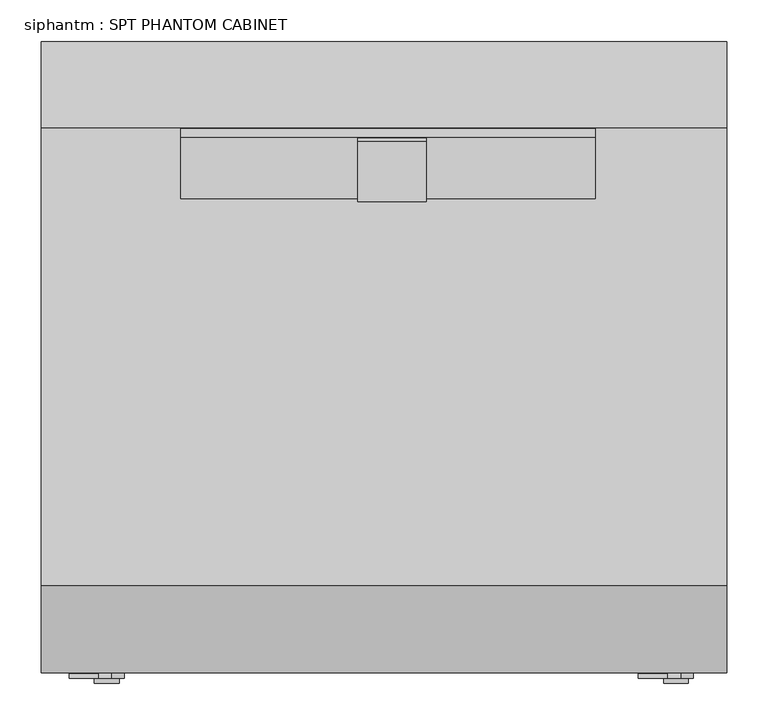
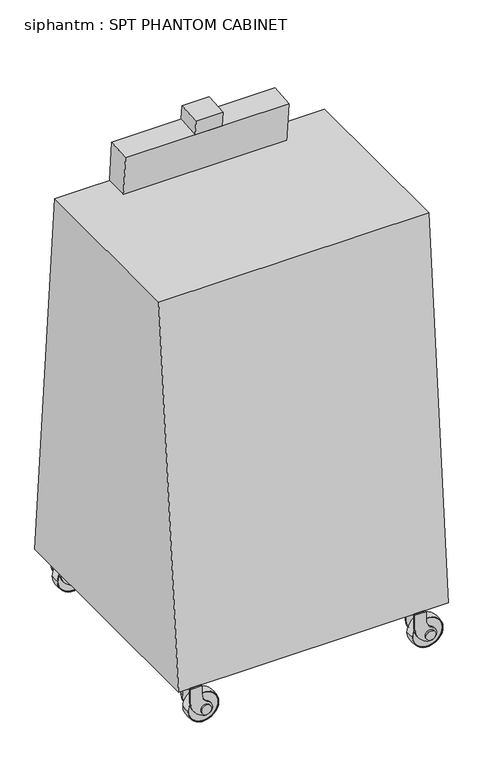
"""IFC4 building model written with IfcOpenShell, lengths in millimetres: proxy geometry, siphantm : SPT PHANTOM CABINET."""

from ifc_helpers import new_model, si_unit, point, frame, frame_2d, origin, place, context, project, spatial, polyline, circle_curve, ellipse_curve, trimmed, segment, composite_curve, outline, extrude, source, transform, mapped, element, save
from ifc_brep_helpers import plane_surface, revolved_surface, advanced_brep


def siphantm_spt_phantom_cabinet_3f2ab0fd(model_context):
    return source(origin(), model_context, "Body", "SolidModel", [
        advanced_brep(
        [(876.4637595, -881.4451858, 48.0465135), (782.8516814, -881.4451858, 48.0465135), (782.8516814, -853.4451858, 48.0465135), (876.4637595, -853.4451858, 48.0465135), (874.6577205, -853.4451858, 48.0465135), (784.6577205, -853.4451858, 48.0465135), (784.6577205, -881.4451858, 48.0465135), (874.6577205, -881.4451858, 48.0465135)],
        [
            (0, 1, circle_curve(frame((829.6577205, -881.4451858, 48.0465135), z_axis=(0.0, 1.0, 0.0), x_axis=(-1.0, 0.0, 0.0)), 46.8060391)),
            (1, 2, circle_curve(frame((861.2334734, -867.4451858, 48.0465135), z_axis=(0.0, 0.0, -1.0), x_axis=(1.0, 0.0, 0.0)), 79.6222664)),
            (2, 3, circle_curve(frame((829.6577205, -853.4451858, 48.0465135), z_axis=(0.0, -1.0, 0.0), x_axis=(-1.0, 0.0, 0.0)), 46.8060391)),
            (3, 0, circle_curve(frame((798.0819675, -867.4451858, 48.0465135), z_axis=(0.0, 0.0, -1.0), x_axis=(-1.0, 0.0, 0.0)), 79.6222664)),
            (4, 5, circle_curve(frame((829.6577205, -853.4451858, 48.0465135), z_axis=(0.0, 1.0, 0.0), x_axis=(-1.0, 0.0, 0.0)), 45.0)),
            (5, 6),
            (6, 7, circle_curve(frame((829.6577205, -881.4451858, 48.0465135), z_axis=(0.0, -1.0, 0.0), x_axis=(-1.0, 0.0, 0.0)), 45.0)),
            (7, 4),
            (2, 3, circle_curve(frame((829.6577205, -853.4451858, 48.0465135), z_axis=(0.0, 1.0, 0.0), x_axis=(1.0, 0.0, 0.0)), 46.8060391)),
            (4, 5, circle_curve(frame((829.6577205, -853.4451858, 48.0465135), z_axis=(0.0, -1.0, 0.0), x_axis=(1.0, 0.0, 0.0)), 45.0)),
            (1, 0, circle_curve(frame((829.6577205, -881.4451858, 48.0465135), z_axis=(0.0, 1.0, 0.0), x_axis=(1.0, 0.0, 0.0)), 46.8060391)),
            (6, 7, circle_curve(frame((829.6577205, -881.4451858, 48.0465135), z_axis=(0.0, 1.0, 0.0), x_axis=(1.0, 0.0, 0.0)), 45.0)),
        ],
        [
            revolved_surface(trimmed(ellipse_curve(frame((861.2334734, -867.4451858, 48.0465135), z_axis=(0.0, 0.0, 1.0), x_axis=(1.0, 0.0, 0.0)), 79.6222664, 79.6222664), [point((782.8516814, -853.4451858, 48.0465135))], [point((782.8516814, -881.4451858, 48.0465135))], True, "CARTESIAN"), (829.6577205, -873.9679771, 48.0465135), (0.0, -1.0, 0.0)),
            revolved_surface(polyline([(784.6577205, -881.4451858, 48.0465135), (784.6577205, -853.4451858, 48.0465135)]), (829.6577205, -873.9679771, 48.0465135), (0.0, -1.0, 0.0)),
            plane_surface(frame((829.6577205, -853.4451858, 48.0465135), z_axis=(0.0, 1.0, 0.0), x_axis=(1.0, 0.0, 0.0))),
            revolved_surface(trimmed(ellipse_curve(frame((798.0819675, -867.4451858, 48.0465135), z_axis=(0.0, 0.0, -1.0), x_axis=(-1.0, 0.0, 0.0)), 79.6222664, 79.6222664), [point((876.4637595, -853.4451858, 48.0465135))], [point((876.4637595, -881.4451858, 48.0465135))], True, "CARTESIAN"), (829.6577205, -873.9679771, 48.0465135), (0.0, -1.0, 0.0)),
            plane_surface(frame((829.6577205, -881.4451858, 48.0465135), z_axis=(0.0, -1.0, 0.0), x_axis=(1.0, 0.0, 0.0))),
            revolved_surface(polyline([(874.6577205, -881.4451858, 48.0465135), (874.6577205, -853.4451858, 48.0465135)]), (829.6577205, -873.9679771, 48.0465135), (0.0, -1.0, 0.0)),
        ],
        [
            (0, [[1, 2, 3, 4]]),
            (1, [[5, 6, 7, 8]]),
            (2, [[9, -3], [10, -5]]),
            (3, [[11, -4, -9, -2]]),
            (4, [[-11, -1], [12, -7]]),
            (5, [[-10, -8, -12, -6]]),
        ],
    ),
        extrude(outline(composite_curve([segment(trimmed(circle_curve(frame_2d((48.0465135, 829.6577205)), 21.0), [point((29.163577, 820.4688844))], [point((68.1369892, 835.7710492))], False, "CARTESIAN"), True, "CONTINUOUS"), segment(trimmed(circle_curve(frame_2d((99.3530944, 856.8179829)), 37.6486207), [point((68.1369892, 835.7710492))], [point((99.3530944, 819.1693622))], True, "CARTESIAN"), True, "CONTINUOUS"), segment(polyline([(99.3530944, 819.1693622), (125.0465135, 819.1693622), (125.0465135, 784.1693622), (81.8753807, 784.1693622)]), True, "CONTINUOUS"), segment(trimmed(circle_curve(frame_2d((81.8753807, 839.1693622)), 55.0), [point((81.8753807, 784.1693622))], [point((34.2439835, 811.6693622))], False, "CARTESIAN"), True, "CONTINUOUS"), segment(polyline([(34.2439835, 811.6693622), (29.163577, 820.4688844)]), True, "CONTINUOUS")], self_intersect=False)), frame((0.0, -848.4679771, 0.0), z_axis=(0.0, 1.0, 0.0), x_axis=(0.0, 0.0, 1.0)), (0.0, 0.0, 1.0), 6.0),
        extrude(outline(polyline([(784.1693622, -886.4679771), (784.1693622, -848.4679771), (819.1693622, -848.4679771), (819.1693622, -886.4679771), (784.1693622, -886.4679771)])), frame((0.0, 0.0, 119.0465135), z_axis=(0.0, 0.0, 1.0), x_axis=(1.0, 0.0, 0.0)), (0.0, 0.0, 1.0), 6.0),
        extrude(outline(composite_curve([segment(trimmed(circle_curve(frame_2d((48.0465135, 829.6577205)), 21.0), [point((29.163577, 820.4688844))], [point((68.1369892, 835.7710492))], False, "CARTESIAN"), True, "CONTINUOUS"), segment(trimmed(circle_curve(frame_2d((99.3530944, 856.8179829)), 37.6486207), [point((68.1369892, 835.7710492))], [point((99.3530944, 819.1693622))], True, "CARTESIAN"), True, "CONTINUOUS"), segment(polyline([(99.3530944, 819.1693622), (125.0465135, 819.1693622), (125.0465135, 784.1693622), (81.8753807, 784.1693622)]), True, "CONTINUOUS"), segment(trimmed(circle_curve(frame_2d((81.8753807, 839.1693622)), 55.0), [point((81.8753807, 784.1693622))], [point((34.2439835, 811.6693622))], False, "CARTESIAN"), True, "CONTINUOUS"), segment(polyline([(34.2439835, 811.6693622), (29.163577, 820.4688844)]), True, "CONTINUOUS")], self_intersect=False)), frame((0.0, -892.4679771, 0.0), z_axis=(0.0, 1.0, 0.0), x_axis=(0.0, 0.0, 1.0)), (0.0, 0.0, 1.0), 6.0),
        extrude(outline(composite_curve([segment(trimmed(circle_curve(frame_2d((48.0465135, 829.6577205)), 15.0), [point((48.0465135, 814.6577205))], [point((48.0465135, 844.6577205))], False, "CARTESIAN"), True, "CONTINUOUS"), segment(trimmed(circle_curve(frame_2d((48.0465135, 829.6577205)), 15.0), [point((48.0465135, 844.6577205))], [point((48.0465135, 814.6577205))], False, "CARTESIAN"), True, "CONTINUOUS")], self_intersect=False)), frame((0.0, -898.4679771, 0.0), z_axis=(0.0, 1.0, 0.0), x_axis=(0.0, 0.0, 1.0)), (0.0, 0.0, 1.0), 62.0),
        extrude(outline(composite_curve([segment(trimmed(circle_curve(frame_2d((48.0465135, 829.6577205)), 45.0), [point((48.0465135, 784.6577205))], [point((48.0465135, 874.6577205))], False, "CARTESIAN"), True, "CONTINUOUS"), segment(trimmed(circle_curve(frame_2d((48.0465135, 829.6577205)), 45.0), [point((48.0465135, 874.6577205))], [point((48.0465135, 784.6577205))], False, "CARTESIAN"), True, "CONTINUOUS")], self_intersect=False)), frame((0.0, -879.9679771, 0.0), z_axis=(0.0, 1.0, 0.0), x_axis=(0.0, 0.0, 1.0)), (0.0, 0.0, 1.0), 25.0),
        advanced_brep(
        [(876.4637595, -1573.5951858, 48.0465135), (782.8516814, -1573.5951858, 48.0465135), (782.8516814, -1545.5951858, 48.0465135), (876.4637595, -1545.5951858, 48.0465135), (874.6577205, -1545.5951858, 48.0465135), (784.6577205, -1545.5951858, 48.0465135), (784.6577205, -1573.5951858, 48.0465135), (874.6577205, -1573.5951858, 48.0465135)],
        [
            (0, 1, circle_curve(frame((829.6577205, -1573.5951858, 48.0465135), z_axis=(0.0, 1.0, 0.0), x_axis=(-1.0, 0.0, 0.0)), 46.8060391)),
            (1, 2, circle_curve(frame((861.2334734, -1559.5951858, 48.0465135), z_axis=(0.0, 0.0, -1.0), x_axis=(1.0, 0.0, 0.0)), 79.6222664)),
            (2, 3, circle_curve(frame((829.6577205, -1545.5951858, 48.0465135), z_axis=(0.0, -1.0, 0.0), x_axis=(-1.0, 0.0, 0.0)), 46.8060391)),
            (3, 0, circle_curve(frame((798.0819675, -1559.5951858, 48.0465135), z_axis=(0.0, 0.0, -1.0), x_axis=(-1.0, 0.0, 0.0)), 79.6222664)),
            (4, 5, circle_curve(frame((829.6577205, -1545.5951858, 48.0465135), z_axis=(0.0, 1.0, 0.0), x_axis=(-1.0, 0.0, 0.0)), 45.0)),
            (5, 6),
            (6, 7, circle_curve(frame((829.6577205, -1573.5951858, 48.0465135), z_axis=(0.0, -1.0, 0.0), x_axis=(-1.0, 0.0, 0.0)), 45.0)),
            (7, 4),
            (2, 3, circle_curve(frame((829.6577205, -1545.5951858, 48.0465135), z_axis=(0.0, 1.0, 0.0), x_axis=(1.0, 0.0, 0.0)), 46.8060391)),
            (4, 5, circle_curve(frame((829.6577205, -1545.5951858, 48.0465135), z_axis=(0.0, -1.0, 0.0), x_axis=(1.0, 0.0, 0.0)), 45.0)),
            (1, 0, circle_curve(frame((829.6577205, -1573.5951858, 48.0465135), z_axis=(0.0, 1.0, 0.0), x_axis=(1.0, 0.0, 0.0)), 46.8060391)),
            (6, 7, circle_curve(frame((829.6577205, -1573.5951858, 48.0465135), z_axis=(0.0, 1.0, 0.0), x_axis=(1.0, 0.0, 0.0)), 45.0)),
        ],
        [
            revolved_surface(trimmed(ellipse_curve(frame((861.2334734, -1559.5951858, 48.0465135), z_axis=(0.0, 0.0, 1.0), x_axis=(1.0, 0.0, 0.0)), 79.6222664, 79.6222664), [point((782.8516814, -1545.5951858, 48.0465135))], [point((782.8516814, -1573.5951858, 48.0465135))], True, "CARTESIAN"), (829.6577205, -1566.1179771, 48.0465135), (0.0, -1.0, 0.0)),
            revolved_surface(polyline([(784.6577205, -1573.5951858, 48.0465135), (784.6577205, -1545.5951858, 48.0465135)]), (829.6577205, -1566.1179771, 48.0465135), (0.0, -1.0, 0.0)),
            plane_surface(frame((829.6577205, -1545.5951858, 48.0465135), z_axis=(0.0, 1.0, 0.0), x_axis=(1.0, 0.0, 0.0))),
            revolved_surface(trimmed(ellipse_curve(frame((798.0819675, -1559.5951858, 48.0465135), z_axis=(0.0, 0.0, -1.0), x_axis=(-1.0, 0.0, 0.0)), 79.6222664, 79.6222664), [point((876.4637595, -1545.5951858, 48.0465135))], [point((876.4637595, -1573.5951858, 48.0465135))], True, "CARTESIAN"), (829.6577205, -1566.1179771, 48.0465135), (0.0, -1.0, 0.0)),
            plane_surface(frame((829.6577205, -1573.5951858, 48.0465135), z_axis=(0.0, -1.0, 0.0), x_axis=(1.0, 0.0, 0.0))),
            revolved_surface(polyline([(874.6577205, -1573.5951858, 48.0465135), (874.6577205, -1545.5951858, 48.0465135)]), (829.6577205, -1566.1179771, 48.0465135), (0.0, -1.0, 0.0)),
        ],
        [
            (0, [[1, 2, 3, 4]]),
            (1, [[5, 6, 7, 8]]),
            (2, [[9, -3], [10, -5]]),
            (3, [[11, -4, -9, -2]]),
            (4, [[-11, -1], [12, -7]]),
            (5, [[-10, -8, -12, -6]]),
        ],
    ),
        extrude(outline(composite_curve([segment(trimmed(circle_curve(frame_2d((48.0465135, 829.6577205)), 21.0), [point((29.163577, 820.4688844))], [point((68.1369892, 835.7710492))], False, "CARTESIAN"), True, "CONTINUOUS"), segment(trimmed(circle_curve(frame_2d((99.3530944, 856.8179829)), 37.6486207), [point((68.1369892, 835.7710492))], [point((99.3530944, 819.1693622))], True, "CARTESIAN"), True, "CONTINUOUS"), segment(polyline([(99.3530944, 819.1693622), (125.0465135, 819.1693622), (125.0465135, 784.1693622), (81.8753807, 784.1693622)]), True, "CONTINUOUS"), segment(trimmed(circle_curve(frame_2d((81.8753807, 839.1693622)), 55.0), [point((81.8753807, 784.1693622))], [point((34.2439835, 811.6693622))], False, "CARTESIAN"), True, "CONTINUOUS"), segment(polyline([(34.2439835, 811.6693622), (29.163577, 820.4688844)]), True, "CONTINUOUS")], self_intersect=False)), frame((0.0, -1540.6179771, 0.0), z_axis=(0.0, 1.0, 0.0), x_axis=(0.0, 0.0, 1.0)), (0.0, 0.0, 1.0), 6.0),
        extrude(outline(polyline([(784.1693622, -1578.6179771), (784.1693622, -1540.6179771), (819.1693622, -1540.6179771), (819.1693622, -1578.6179771), (784.1693622, -1578.6179771)])), frame((0.0, 0.0, 119.0465135), z_axis=(0.0, 0.0, 1.0), x_axis=(1.0, 0.0, 0.0)), (0.0, 0.0, 1.0), 6.0),
        extrude(outline(composite_curve([segment(trimmed(circle_curve(frame_2d((48.0465135, 829.6577205)), 21.0), [point((29.163577, 820.4688844))], [point((68.1369892, 835.7710492))], False, "CARTESIAN"), True, "CONTINUOUS"), segment(trimmed(circle_curve(frame_2d((99.3530944, 856.8179829)), 37.6486207), [point((68.1369892, 835.7710492))], [point((99.3530944, 819.1693622))], True, "CARTESIAN"), True, "CONTINUOUS"), segment(polyline([(99.3530944, 819.1693622), (125.0465135, 819.1693622), (125.0465135, 784.1693622), (81.8753807, 784.1693622)]), True, "CONTINUOUS"), segment(trimmed(circle_curve(frame_2d((81.8753807, 839.1693622)), 55.0), [point((81.8753807, 784.1693622))], [point((34.2439835, 811.6693622))], False, "CARTESIAN"), True, "CONTINUOUS"), segment(polyline([(34.2439835, 811.6693622), (29.163577, 820.4688844)]), True, "CONTINUOUS")], self_intersect=False)), frame((0.0, -1584.6179771, 0.0), z_axis=(0.0, 1.0, 0.0), x_axis=(0.0, 0.0, 1.0)), (0.0, 0.0, 1.0), 6.0),
        extrude(outline(composite_curve([segment(trimmed(circle_curve(frame_2d((48.0465135, 829.6577205)), 15.0), [point((48.0465135, 814.6577205))], [point((48.0465135, 844.6577205))], False, "CARTESIAN"), True, "CONTINUOUS"), segment(trimmed(circle_curve(frame_2d((48.0465135, 829.6577205)), 15.0), [point((48.0465135, 844.6577205))], [point((48.0465135, 814.6577205))], False, "CARTESIAN"), True, "CONTINUOUS")], self_intersect=False)), frame((0.0, -1590.6179771, 0.0), z_axis=(0.0, 1.0, 0.0), x_axis=(0.0, 0.0, 1.0)), (0.0, 0.0, 1.0), 62.0),
        extrude(outline(composite_curve([segment(trimmed(circle_curve(frame_2d((48.0465135, 829.6577205)), 45.0), [point((48.0465135, 784.6577205))], [point((48.0465135, 874.6577205))], False, "CARTESIAN"), True, "CONTINUOUS"), segment(trimmed(circle_curve(frame_2d((48.0465135, 829.6577205)), 45.0), [point((48.0465135, 874.6577205))], [point((48.0465135, 784.6577205))], False, "CARTESIAN"), True, "CONTINUOUS")], self_intersect=False)), frame((0.0, -1572.1179771, 0.0), z_axis=(0.0, 1.0, 0.0), x_axis=(0.0, 0.0, 1.0)), (0.0, 0.0, 1.0), 25.0),
        advanced_brep(
        [(1562.2637595, -881.4451858, 48.0465135), (1468.6516814, -881.4451858, 48.0465135), (1468.6516814, -853.4451858, 48.0465135), (1562.2637595, -853.4451858, 48.0465135), (1560.4577205, -853.4451858, 48.0465135), (1470.4577205, -853.4451858, 48.0465135), (1470.4577205, -881.4451858, 48.0465135), (1560.4577205, -881.4451858, 48.0465135)],
        [
            (0, 1, circle_curve(frame((1515.4577205, -881.4451858, 48.0465135), z_axis=(0.0, 1.0, 0.0), x_axis=(-1.0, 0.0, 0.0)), 46.8060391)),
            (1, 2, circle_curve(frame((1547.0334734, -867.4451858, 48.0465135), z_axis=(0.0, 0.0, -1.0), x_axis=(1.0, 0.0, 0.0)), 79.6222664)),
            (2, 3, circle_curve(frame((1515.4577205, -853.4451858, 48.0465135), z_axis=(0.0, -1.0, 0.0), x_axis=(-1.0, 0.0, 0.0)), 46.8060391)),
            (3, 0, circle_curve(frame((1483.8819675, -867.4451858, 48.0465135), z_axis=(0.0, 0.0, -1.0), x_axis=(-1.0, 0.0, 0.0)), 79.6222664)),
            (4, 5, circle_curve(frame((1515.4577205, -853.4451858, 48.0465135), z_axis=(0.0, 1.0, 0.0), x_axis=(-1.0, 0.0, 0.0)), 45.0)),
            (5, 6),
            (6, 7, circle_curve(frame((1515.4577205, -881.4451858, 48.0465135), z_axis=(0.0, -1.0, 0.0), x_axis=(-1.0, 0.0, 0.0)), 45.0)),
            (7, 4),
            (2, 3, circle_curve(frame((1515.4577205, -853.4451858, 48.0465135), z_axis=(0.0, 1.0, 0.0), x_axis=(1.0, 0.0, 0.0)), 46.8060391)),
            (4, 5, circle_curve(frame((1515.4577205, -853.4451858, 48.0465135), z_axis=(0.0, -1.0, 0.0), x_axis=(1.0, 0.0, 0.0)), 45.0)),
            (1, 0, circle_curve(frame((1515.4577205, -881.4451858, 48.0465135), z_axis=(0.0, 1.0, 0.0), x_axis=(1.0, 0.0, 0.0)), 46.8060391)),
            (6, 7, circle_curve(frame((1515.4577205, -881.4451858, 48.0465135), z_axis=(0.0, 1.0, 0.0), x_axis=(1.0, 0.0, 0.0)), 45.0)),
        ],
        [
            revolved_surface(trimmed(ellipse_curve(frame((1547.0334734, -867.4451858, 48.0465135), z_axis=(0.0, 0.0, 1.0), x_axis=(1.0, 0.0, 0.0)), 79.6222664, 79.6222664), [point((1468.6516814, -853.4451858, 48.0465135))], [point((1468.6516814, -881.4451858, 48.0465135))], True, "CARTESIAN"), (1515.4577205, -873.9679771, 48.0465135), (0.0, -1.0, 0.0)),
            revolved_surface(polyline([(1470.4577205, -881.4451858, 48.0465135), (1470.4577205, -853.4451858, 48.0465135)]), (1515.4577205, -873.9679771, 48.0465135), (0.0, -1.0, 0.0)),
            plane_surface(frame((1515.4577205, -853.4451858, 48.0465135), z_axis=(0.0, 1.0, 0.0), x_axis=(1.0, 0.0, 0.0))),
            revolved_surface(trimmed(ellipse_curve(frame((1483.8819675, -867.4451858, 48.0465135), z_axis=(0.0, 0.0, -1.0), x_axis=(-1.0, 0.0, 0.0)), 79.6222664, 79.6222664), [point((1562.2637595, -853.4451858, 48.0465135))], [point((1562.2637595, -881.4451858, 48.0465135))], True, "CARTESIAN"), (1515.4577205, -873.9679771, 48.0465135), (0.0, -1.0, 0.0)),
            plane_surface(frame((1515.4577205, -881.4451858, 48.0465135), z_axis=(0.0, -1.0, 0.0), x_axis=(1.0, 0.0, 0.0))),
            revolved_surface(polyline([(1560.4577205, -881.4451858, 48.0465135), (1560.4577205, -853.4451858, 48.0465135)]), (1515.4577205, -873.9679771, 48.0465135), (0.0, -1.0, 0.0)),
        ],
        [
            (0, [[1, 2, 3, 4]]),
            (1, [[5, 6, 7, 8]]),
            (2, [[9, -3], [10, -5]]),
            (3, [[11, -4, -9, -2]]),
            (4, [[-11, -1], [12, -7]]),
            (5, [[-10, -8, -12, -6]]),
        ],
    ),
        extrude(outline(composite_curve([segment(trimmed(circle_curve(frame_2d((48.0465135, 1515.4577205)), 21.0), [point((29.163577, 1506.2688844))], [point((68.1369892, 1521.5710492))], False, "CARTESIAN"), True, "CONTINUOUS"), segment(trimmed(circle_curve(frame_2d((99.3530944, 1542.6179829)), 37.6486207), [point((68.1369892, 1521.5710492))], [point((99.3530944, 1504.9693622))], True, "CARTESIAN"), True, "CONTINUOUS"), segment(polyline([(99.3530944, 1504.9693622), (125.0465135, 1504.9693622), (125.0465135, 1469.9693622), (81.8753807, 1469.9693622)]), True, "CONTINUOUS"), segment(trimmed(circle_curve(frame_2d((81.8753807, 1524.9693622)), 55.0), [point((81.8753807, 1469.9693622))], [point((34.2439835, 1497.4693622))], False, "CARTESIAN"), True, "CONTINUOUS"), segment(polyline([(34.2439835, 1497.4693622), (29.163577, 1506.2688844)]), True, "CONTINUOUS")], self_intersect=False)), frame((0.0, -848.4679771, 0.0), z_axis=(0.0, 1.0, 0.0), x_axis=(0.0, 0.0, 1.0)), (0.0, 0.0, 1.0), 6.0),
        extrude(outline(polyline([(1469.9693622, -886.4679771), (1469.9693622, -848.4679771), (1504.9693622, -848.4679771), (1504.9693622, -886.4679771), (1469.9693622, -886.4679771)])), frame((0.0, 0.0, 119.0465135), z_axis=(0.0, 0.0, 1.0), x_axis=(1.0, 0.0, 0.0)), (0.0, 0.0, 1.0), 6.0),
        extrude(outline(composite_curve([segment(trimmed(circle_curve(frame_2d((48.0465135, 1515.4577205)), 21.0), [point((29.163577, 1506.2688844))], [point((68.1369892, 1521.5710492))], False, "CARTESIAN"), True, "CONTINUOUS"), segment(trimmed(circle_curve(frame_2d((99.3530944, 1542.6179829)), 37.6486207), [point((68.1369892, 1521.5710492))], [point((99.3530944, 1504.9693622))], True, "CARTESIAN"), True, "CONTINUOUS"), segment(polyline([(99.3530944, 1504.9693622), (125.0465135, 1504.9693622), (125.0465135, 1469.9693622), (81.8753807, 1469.9693622)]), True, "CONTINUOUS"), segment(trimmed(circle_curve(frame_2d((81.8753807, 1524.9693622)), 55.0), [point((81.8753807, 1469.9693622))], [point((34.2439835, 1497.4693622))], False, "CARTESIAN"), True, "CONTINUOUS"), segment(polyline([(34.2439835, 1497.4693622), (29.163577, 1506.2688844)]), True, "CONTINUOUS")], self_intersect=False)), frame((0.0, -892.4679771, 0.0), z_axis=(0.0, 1.0, 0.0), x_axis=(0.0, 0.0, 1.0)), (0.0, 0.0, 1.0), 6.0),
        extrude(outline(composite_curve([segment(trimmed(circle_curve(frame_2d((48.0465135, 1515.4577205)), 15.0), [point((48.0465135, 1500.4577205))], [point((48.0465135, 1530.4577205))], False, "CARTESIAN"), True, "CONTINUOUS"), segment(trimmed(circle_curve(frame_2d((48.0465135, 1515.4577205)), 15.0), [point((48.0465135, 1530.4577205))], [point((48.0465135, 1500.4577205))], False, "CARTESIAN"), True, "CONTINUOUS")], self_intersect=False)), frame((0.0, -898.4679771, 0.0), z_axis=(0.0, 1.0, 0.0), x_axis=(0.0, 0.0, 1.0)), (0.0, 0.0, 1.0), 62.0),
        extrude(outline(composite_curve([segment(trimmed(circle_curve(frame_2d((48.0465135, 1515.4577205)), 45.0), [point((48.0465135, 1470.4577205))], [point((48.0465135, 1560.4577205))], False, "CARTESIAN"), True, "CONTINUOUS"), segment(trimmed(circle_curve(frame_2d((48.0465135, 1515.4577205)), 45.0), [point((48.0465135, 1560.4577205))], [point((48.0465135, 1470.4577205))], False, "CARTESIAN"), True, "CONTINUOUS")], self_intersect=False)), frame((0.0, -879.9679771, 0.0), z_axis=(0.0, 1.0, 0.0), x_axis=(0.0, 0.0, 1.0)), (0.0, 0.0, 1.0), 25.0),
        advanced_brep(
        [(1562.2637595, -1573.5951858, 48.0465135), (1468.6516814, -1573.5951858, 48.0465135), (1468.6516814, -1545.5951858, 48.0465135), (1562.2637595, -1545.5951858, 48.0465135), (1560.4577205, -1545.5951858, 48.0465135), (1470.4577205, -1545.5951858, 48.0465135), (1470.4577205, -1573.5951858, 48.0465135), (1560.4577205, -1573.5951858, 48.0465135)],
        [
            (0, 1, circle_curve(frame((1515.4577205, -1573.5951858, 48.0465135), z_axis=(0.0, 1.0, 0.0), x_axis=(-1.0, 0.0, 0.0)), 46.8060391)),
            (1, 2, circle_curve(frame((1547.0334734, -1559.5951858, 48.0465135), z_axis=(0.0, 0.0, -1.0), x_axis=(1.0, 0.0, 0.0)), 79.6222664)),
            (2, 3, circle_curve(frame((1515.4577205, -1545.5951858, 48.0465135), z_axis=(0.0, -1.0, 0.0), x_axis=(-1.0, 0.0, 0.0)), 46.8060391)),
            (3, 0, circle_curve(frame((1483.8819675, -1559.5951858, 48.0465135), z_axis=(0.0, 0.0, -1.0), x_axis=(-1.0, 0.0, 0.0)), 79.6222664)),
            (4, 5, circle_curve(frame((1515.4577205, -1545.5951858, 48.0465135), z_axis=(0.0, 1.0, 0.0), x_axis=(-1.0, 0.0, 0.0)), 45.0)),
            (5, 6),
            (6, 7, circle_curve(frame((1515.4577205, -1573.5951858, 48.0465135), z_axis=(0.0, -1.0, 0.0), x_axis=(-1.0, 0.0, 0.0)), 45.0)),
            (7, 4),
            (2, 3, circle_curve(frame((1515.4577205, -1545.5951858, 48.0465135), z_axis=(0.0, 1.0, 0.0), x_axis=(1.0, 0.0, 0.0)), 46.8060391)),
            (4, 5, circle_curve(frame((1515.4577205, -1545.5951858, 48.0465135), z_axis=(0.0, -1.0, 0.0), x_axis=(1.0, 0.0, 0.0)), 45.0)),
            (1, 0, circle_curve(frame((1515.4577205, -1573.5951858, 48.0465135), z_axis=(0.0, 1.0, 0.0), x_axis=(1.0, 0.0, 0.0)), 46.8060391)),
            (6, 7, circle_curve(frame((1515.4577205, -1573.5951858, 48.0465135), z_axis=(0.0, 1.0, 0.0), x_axis=(1.0, 0.0, 0.0)), 45.0)),
        ],
        [
            revolved_surface(trimmed(ellipse_curve(frame((1547.0334734, -1559.5951858, 48.0465135), z_axis=(0.0, 0.0, 1.0), x_axis=(1.0, 0.0, 0.0)), 79.6222664, 79.6222664), [point((1468.6516814, -1545.5951858, 48.0465135))], [point((1468.6516814, -1573.5951858, 48.0465135))], True, "CARTESIAN"), (1515.4577205, -1566.1179771, 48.0465135), (0.0, -1.0, 0.0)),
            revolved_surface(polyline([(1470.4577205, -1573.5951858, 48.0465135), (1470.4577205, -1545.5951858, 48.0465135)]), (1515.4577205, -1566.1179771, 48.0465135), (0.0, -1.0, 0.0)),
            plane_surface(frame((1515.4577205, -1545.5951858, 48.0465135), z_axis=(0.0, 1.0, 0.0), x_axis=(1.0, 0.0, 0.0))),
            revolved_surface(trimmed(ellipse_curve(frame((1483.8819675, -1559.5951858, 48.0465135), z_axis=(0.0, 0.0, -1.0), x_axis=(-1.0, 0.0, 0.0)), 79.6222664, 79.6222664), [point((1562.2637595, -1545.5951858, 48.0465135))], [point((1562.2637595, -1573.5951858, 48.0465135))], True, "CARTESIAN"), (1515.4577205, -1566.1179771, 48.0465135), (0.0, -1.0, 0.0)),
            plane_surface(frame((1515.4577205, -1573.5951858, 48.0465135), z_axis=(0.0, -1.0, 0.0), x_axis=(1.0, 0.0, 0.0))),
            revolved_surface(polyline([(1560.4577205, -1573.5951858, 48.0465135), (1560.4577205, -1545.5951858, 48.0465135)]), (1515.4577205, -1566.1179771, 48.0465135), (0.0, -1.0, 0.0)),
        ],
        [
            (0, [[1, 2, 3, 4]]),
            (1, [[5, 6, 7, 8]]),
            (2, [[9, -3], [10, -5]]),
            (3, [[11, -4, -9, -2]]),
            (4, [[-11, -1], [12, -7]]),
            (5, [[-10, -8, -12, -6]]),
        ],
    ),
        extrude(outline(composite_curve([segment(trimmed(circle_curve(frame_2d((48.0465135, 1515.4577205)), 21.0), [point((29.163577, 1506.2688844))], [point((68.1369892, 1521.5710492))], False, "CARTESIAN"), True, "CONTINUOUS"), segment(trimmed(circle_curve(frame_2d((99.3530944, 1542.6179829)), 37.6486207), [point((68.1369892, 1521.5710492))], [point((99.3530944, 1504.9693622))], True, "CARTESIAN"), True, "CONTINUOUS"), segment(polyline([(99.3530944, 1504.9693622), (125.0465135, 1504.9693622), (125.0465135, 1469.9693622), (81.8753807, 1469.9693622)]), True, "CONTINUOUS"), segment(trimmed(circle_curve(frame_2d((81.8753807, 1524.9693622)), 55.0), [point((81.8753807, 1469.9693622))], [point((34.2439835, 1497.4693622))], False, "CARTESIAN"), True, "CONTINUOUS"), segment(polyline([(34.2439835, 1497.4693622), (29.163577, 1506.2688844)]), True, "CONTINUOUS")], self_intersect=False)), frame((0.0, -1540.6179771, 0.0), z_axis=(0.0, 1.0, 0.0), x_axis=(0.0, 0.0, 1.0)), (0.0, 0.0, 1.0), 6.0),
        extrude(outline(polyline([(1469.9693622, -1578.6179771), (1469.9693622, -1540.6179771), (1504.9693622, -1540.6179771), (1504.9693622, -1578.6179771), (1469.9693622, -1578.6179771)])), frame((0.0, 0.0, 119.0465135), z_axis=(0.0, 0.0, 1.0), x_axis=(1.0, 0.0, 0.0)), (0.0, 0.0, 1.0), 6.0),
        extrude(outline(composite_curve([segment(trimmed(circle_curve(frame_2d((48.0465135, 1515.4577205)), 21.0), [point((29.163577, 1506.2688844))], [point((68.1369892, 1521.5710492))], False, "CARTESIAN"), True, "CONTINUOUS"), segment(trimmed(circle_curve(frame_2d((99.3530944, 1542.6179829)), 37.6486207), [point((68.1369892, 1521.5710492))], [point((99.3530944, 1504.9693622))], True, "CARTESIAN"), True, "CONTINUOUS"), segment(polyline([(99.3530944, 1504.9693622), (125.0465135, 1504.9693622), (125.0465135, 1469.9693622), (81.8753807, 1469.9693622)]), True, "CONTINUOUS"), segment(trimmed(circle_curve(frame_2d((81.8753807, 1524.9693622)), 55.0), [point((81.8753807, 1469.9693622))], [point((34.2439835, 1497.4693622))], False, "CARTESIAN"), True, "CONTINUOUS"), segment(polyline([(34.2439835, 1497.4693622), (29.163577, 1506.2688844)]), True, "CONTINUOUS")], self_intersect=False)), frame((0.0, -1584.6179771, 0.0), z_axis=(0.0, 1.0, 0.0), x_axis=(0.0, 0.0, 1.0)), (0.0, 0.0, 1.0), 6.0),
        extrude(outline(composite_curve([segment(trimmed(circle_curve(frame_2d((48.0465135, 1515.4577205)), 15.0), [point((48.0465135, 1500.4577205))], [point((48.0465135, 1530.4577205))], False, "CARTESIAN"), True, "CONTINUOUS"), segment(trimmed(circle_curve(frame_2d((48.0465135, 1515.4577205)), 15.0), [point((48.0465135, 1530.4577205))], [point((48.0465135, 1500.4577205))], False, "CARTESIAN"), True, "CONTINUOUS")], self_intersect=False)), frame((0.0, -1590.6179771, 0.0), z_axis=(0.0, 1.0, 0.0), x_axis=(0.0, 0.0, 1.0)), (0.0, 0.0, 1.0), 62.0),
        extrude(outline(composite_curve([segment(trimmed(circle_curve(frame_2d((48.0465135, 1515.4577205)), 45.0), [point((48.0465135, 1470.4577205))], [point((48.0465135, 1560.4577205))], False, "CARTESIAN"), True, "CONTINUOUS"), segment(trimmed(circle_curve(frame_2d((48.0465135, 1515.4577205)), 45.0), [point((48.0465135, 1560.4577205))], [point((48.0465135, 1470.4577205))], False, "CARTESIAN"), True, "CONTINUOUS")], self_intersect=False)), frame((0.0, -1572.1179771, 0.0), z_axis=(0.0, 1.0, 0.0), x_axis=(0.0, 0.0, 1.0)), (0.0, 0.0, 1.0), 25.0),
        extrude(outline(polyline([(0.0, -82.55), (0.0, 0.0), (73.5586554, 0.0), (73.5586554, -82.55), (0.0, -82.55)])), frame((1214.3725329, -932.8492957, 1452.1011844), z_axis=(0.0, -0.08715574274765946, 0.9961946980917454), x_axis=(0.0, -0.9961946980917454, -0.08715574274765946)), (0.0, 0.0, 1.0), 45.8127845),
        extrude(outline(polyline([(0.0, -499.5925869), (0.0, 0.0), (73.5586555, 0.0), (73.5586555, -499.5925869), (0.0, -499.5925869)])), frame((1418.1781556, -921.4166706, 1321.4256821), z_axis=(0.0, -0.08715574274765849, 0.9961946980917455), x_axis=(0.0, -0.9961946980917455, -0.08715574274765849)), (0.0, 0.0, 1.0), 131.1746615),
        extrude(outline(polyline([(-921.4166706, 1321.4256821), (-816.7470561, 125.0465135), (-1577.9878131, 125.0465135), (-1473.3181986, 1321.4256821), (-921.4166706, 1321.4256821)])), frame((750.8693622, 0.0, 0.0), z_axis=(1.0, 0.0, 0.0), x_axis=(0.0, 1.0, 0.0)), (0.0, 0.0, 1.0), 825.5),
    ])


if __name__ == "__main__":
    model = new_model("IFC4")
    model_context = context("Model", 3, world=origin())
    ifc_project = project(units=[si_unit("LENGTHUNIT", "METRE", prefix="MILLI")], contexts=[model_context])
    site = spatial("IfcSite", under=ifc_project)
    building = spatial("IfcBuilding", under=site)
    placement = place(None, origin())
    siphantm_spt_phantom_cabinet_shape = siphantm_spt_phantom_cabinet_3f2ab0fd(model_context)
    element("IfcBuildingElementProxy", 1, Name="siphantm : SPT PHANTOM CABINET", ObjectType="siphantm : SPT PHANTOM CABINET", at=placement, inside=building, context=model_context, shape_type="MappedRepresentation", body=[
        mapped(siphantm_spt_phantom_cabinet_shape, transform((0.0, 0.0, 0.0), x_axis=(1.0, 0.0, 0.0), y_axis=(0.0, 1.0, 0.0), z_axis=(0.0, 0.0, 1.0))),
    ])
    save(model, "model.ifc")
